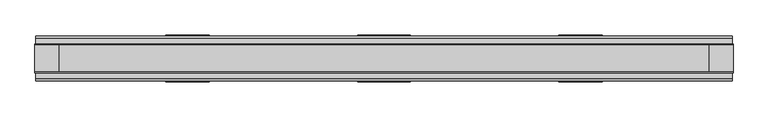
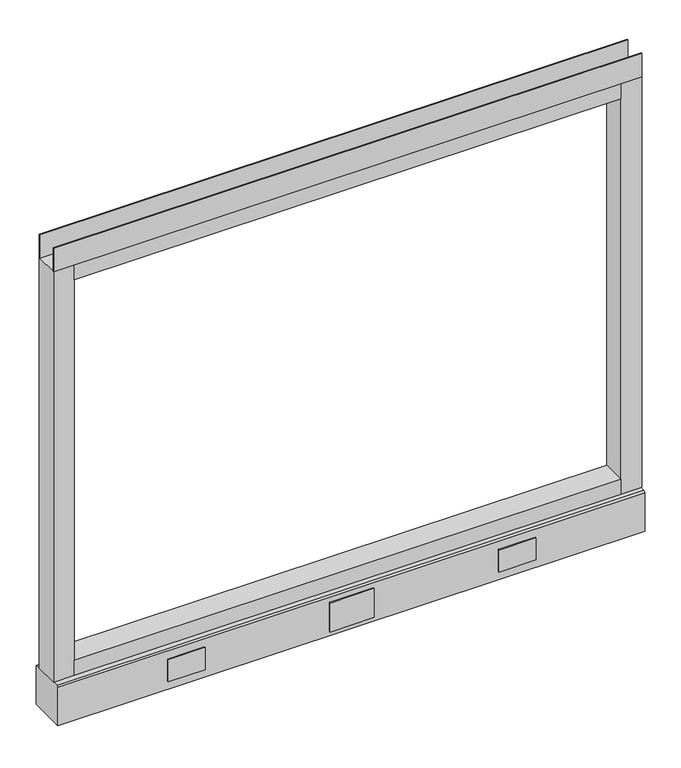
"""IFC4 building model written with IfcOpenShell, lengths in millimetres: furniture geometry."""

from ifc_helpers import new_model, si_unit, point, frame, frame_2d, origin, place, context, project, spatial, polyline, circle_curve, trimmed, segment, composite_curve, outline, extrude, source, transform, mapped, element, save
from ifc_brep_helpers import plane_surface, revolved_surface, advanced_brep


def furniture_dc780204(model_context):
    return source(origin(), model_context, "Body", "SolidModel", [
        advanced_brep(
        [(539.75, 0.0, 6.35), (565.15, 0.0, 6.35), (533.4, 0.0, 0.0), (571.5, 0.0, 0.0)],
        [
            (0, 1, circle_curve(frame((552.45, 0.0, 6.35), z_axis=(0.0, 0.0, 1.0), x_axis=(-1.0, 0.0, 0.0)), 12.7)),
            (1, 0, circle_curve(frame((552.45, 0.0, 6.35), z_axis=(0.0, 0.0, 1.0), x_axis=(1.0, 0.0, 0.0)), 12.7)),
            (2, 3, circle_curve(frame((552.45, 0.0, 0.0), z_axis=(0.0, 0.0, -1.0), x_axis=(1.0, 0.0, 0.0)), 19.05)),
            (3, 2, circle_curve(frame((552.45, 0.0, 0.0), z_axis=(0.0, 0.0, -1.0), x_axis=(-1.0, 0.0, 0.0)), 19.05)),
            (3, 1),
            (0, 2),
        ],
        [
            plane_surface(frame((552.45, 0.0, 6.35), z_axis=(0.0, 0.0, 1.0), x_axis=(0.0, -1.0, 0.0))),
            plane_surface(frame((552.45, 0.0, 0.0), z_axis=(0.0, 0.0, -1.0), x_axis=(0.0, -1.0, 0.0))),
            revolved_surface(polyline([(539.75, 0.0, 6.35), (533.4, 0.0, 0.0)]), (552.45, 0.0, 19.05), (0.0, 0.0, -1.0)),
            revolved_surface(polyline([(565.15, 0.0, 6.35), (571.5, 0.0, 0.0)]), (552.45, 0.0, 19.05), (0.0, 0.0, -1.0)),
        ],
        [
            (0, [[1, 2]]),
            (1, [[3, 4]]),
            (2, [[-4, 5, -1, 6]]),
            (3, [[-3, -6, -2, -5]]),
        ],
    ),
        advanced_brep(
        [(-565.15, 0.0, 6.35), (-539.75, 0.0, 6.35), (-571.5, 0.0, 0.0), (-533.4, 0.0, 0.0)],
        [
            (0, 1, circle_curve(frame((-552.45, 0.0, 6.35), z_axis=(0.0, 0.0, 1.0), x_axis=(-1.0, 0.0, 0.0)), 12.7)),
            (1, 0, circle_curve(frame((-552.45, 0.0, 6.35), z_axis=(0.0, 0.0, 1.0), x_axis=(1.0, 0.0, 0.0)), 12.7)),
            (2, 3, circle_curve(frame((-552.45, 0.0, 0.0), z_axis=(0.0, 0.0, -1.0), x_axis=(1.0, 0.0, 0.0)), 19.05)),
            (3, 2, circle_curve(frame((-552.45, 0.0, 0.0), z_axis=(0.0, 0.0, -1.0), x_axis=(-1.0, 0.0, 0.0)), 19.05)),
            (3, 1),
            (0, 2),
        ],
        [
            plane_surface(frame((-552.45, 0.0, 6.35), z_axis=(0.0, 0.0, 1.0), x_axis=(0.0, -1.0, 0.0))),
            plane_surface(frame((-552.45, 0.0, 0.0), z_axis=(0.0, 0.0, -1.0), x_axis=(0.0, -1.0, 0.0))),
            revolved_surface(polyline([(-565.15, 0.0, 6.35), (-571.5, 0.0, 0.0)]), (-552.45, 0.0, 19.05), (0.0, 0.0, -1.0)),
            revolved_surface(polyline([(-539.75, 0.0, 6.35), (-533.4, 0.0, 0.0)]), (-552.45, 0.0, 19.05), (0.0, 0.0, -1.0)),
        ],
        [
            (0, [[1, 2]]),
            (1, [[3, 4]]),
            (2, [[-4, 5, -1, 6]]),
            (3, [[-3, -6, -2, -5]]),
        ],
    ),
        extrude(outline(polyline([(381.0, 39.0921875), (304.8, 39.0921875), (304.8, 41.4020035), (381.0, 41.4020035), (381.0, 39.0921875)])), frame((0.0, 0.0, 32.512), z_axis=(0.0, 0.0, 1.0), x_axis=(1.0, 0.0, 0.0)), (0.0, 0.0, 1.0), 48.26),
        extrude(outline(polyline([(45.7708, 39.0921875), (-45.7708, 39.0921875), (-45.7708, 41.4020035), (45.7708, 41.4020035), (45.7708, 39.0921875)])), frame((0.0, 0.0, 23.8125), z_axis=(0.0, 0.0, 1.0), x_axis=(1.0, 0.0, 0.0)), (0.0, 0.0, 1.0), 63.5),
        extrude(outline(polyline([(-304.8, 39.0921875), (-381.0, 39.0921875), (-381.0, 41.4020035), (-304.8, 41.4020035), (-304.8, 39.0921875)])), frame((0.0, 0.0, 32.512), z_axis=(0.0, 0.0, 1.0), x_axis=(1.0, 0.0, 0.0)), (0.0, 0.0, 1.0), 48.26),
        extrude(outline(polyline([(381.0, -41.4019923), (304.8, -41.4019923), (304.8, -39.0921875), (381.0, -39.0921875), (381.0, -41.4019923)])), frame((0.0, 0.0, 32.512), z_axis=(0.0, 0.0, 1.0), x_axis=(1.0, 0.0, 0.0)), (0.0, 0.0, 1.0), 48.26),
        extrude(outline(polyline([(-304.8, -41.4019923), (-381.0, -41.4019923), (-381.0, -39.0921875), (-304.8, -39.0921875), (-304.8, -41.4019923)])), frame((0.0, 0.0, 32.512), z_axis=(0.0, 0.0, 1.0), x_axis=(1.0, 0.0, 0.0)), (0.0, 0.0, 1.0), 48.26),
        extrude(outline(polyline([(45.7708, -41.4019923), (-45.7708, -41.4019923), (-45.7708, -39.0921875), (45.7708, -39.0921875), (45.7708, -41.4019923)])), frame((0.0, 0.0, 23.8125), z_axis=(0.0, 0.0, 1.0), x_axis=(1.0, 0.0, 0.0)), (0.0, 0.0, 1.0), 63.5),
        extrude(outline(polyline([(609.6, -23.8125), (609.6, -25.4), (-609.6, -25.4), (-609.6, -23.8125), (609.6, -23.8125)])), frame((0.0, 0.0, 1000.633), z_axis=(0.0, 0.0, 1.0), x_axis=(1.0, 0.0, 0.0)), (0.0, 0.0, 1.0), 51.435),
        extrude(outline(polyline([(609.6, 25.4), (609.6, 23.8125), (-609.6, 23.8125), (-609.6, 25.4), (609.6, 25.4)])), frame((0.0, 0.0, 1000.633), z_axis=(0.0, 0.0, 1.0), x_axis=(1.0, 0.0, 0.0)), (0.0, 0.0, 1.0), 51.435),
        extrude(outline(polyline([(566.7375, -25.4), (-566.7375, -25.4), (-566.7375, 25.4), (566.7375, 25.4), (566.7375, -25.4)])), frame((0.0, 0.0, 967.74), z_axis=(0.0, 0.0, 1.0), x_axis=(1.0, 0.0, 0.0)), (0.0, 0.0, 1.0), 32.893),
        extrude(outline(polyline([(566.7375, -25.4), (-566.7375, -25.4), (-566.7375, 25.4), (566.7375, 25.4), (566.7375, -25.4)])), frame((0.0, 0.0, 101.6), z_axis=(0.0, 0.0, 1.0), x_axis=(1.0, 0.0, 0.0)), (0.0, 0.0, 1.0), 32.893),
        extrude(outline(composite_curve([segment(trimmed(circle_curve(frame_2d((-552.45, 0.0)), 5.55625), [point((-558.00625, 0.0))], [point((-546.89375, 0.0))], False, "CARTESIAN"), True, "CONTINUOUS"), segment(trimmed(circle_curve(frame_2d((-552.45, 0.0)), 5.55625), [point((-546.89375, 0.0))], [point((-558.00625, 0.0))], False, "CARTESIAN"), True, "CONTINUOUS")], self_intersect=False)), frame((0.0, 0.0, 6.35), z_axis=(0.0, 0.0, 1.0), x_axis=(1.0, 0.0, 0.0)), (0.0, 0.0, 1.0), 7.9375),
        extrude(outline(composite_curve([segment(trimmed(circle_curve(frame_2d((552.45, 0.0)), 5.55625), [point((546.89375, 0.0))], [point((558.00625, 0.0))], False, "CARTESIAN"), True, "CONTINUOUS"), segment(trimmed(circle_curve(frame_2d((552.45, 0.0)), 5.55625), [point((558.00625, 0.0))], [point((546.89375, 0.0))], False, "CARTESIAN"), True, "CONTINUOUS")], self_intersect=False)), frame((0.0, 0.0, 6.35), z_axis=(0.0, 0.0, 1.0), x_axis=(1.0, 0.0, 0.0)), (0.0, 0.0, 1.0), 7.9375),
        extrude(outline(polyline([(-566.7375, -25.4), (-609.6, -25.4), (-609.6, 25.4), (-566.7375, 25.4), (-566.7375, -25.4)])), frame((0.0, 0.0, 101.6), z_axis=(0.0, 0.0, 1.0), x_axis=(1.0, 0.0, 0.0)), (0.0, 0.0, 1.0), 899.033),
        extrude(outline(polyline([(609.6, -25.4), (566.7375, -25.4), (566.7375, 25.4), (609.6, 25.4), (609.6, -25.4)])), frame((0.0, 0.0, 101.6), z_axis=(0.0, 0.0, 1.0), x_axis=(1.0, 0.0, 0.0)), (0.0, 0.0, 1.0), 899.033),
        extrude(outline(polyline([(-35.9171875, 101.6), (35.9171875, 101.6), (39.0921875, 98.425), (39.0921875, 14.2875), (-39.0921875, 14.2875), (-39.0921875, 98.425), (-35.9171875, 101.6)])), frame((-608.457, 0.0, 0.0), z_axis=(1.0, 0.0, 0.0), x_axis=(0.0, 1.0, 0.0)), (0.0, 0.0, 1.0), 1216.9140102),
    ])


if __name__ == "__main__":
    model = new_model("IFC4")
    model_context = context("Model", 3, world=origin())
    ifc_project = project(units=[si_unit("LENGTHUNIT", "METRE", prefix="MILLI")], contexts=[model_context])
    site = spatial("IfcSite", under=ifc_project)
    building = spatial("IfcBuilding", under=site)
    placement = place(None, origin())
    furniture_shape = furniture_dc780204(model_context)
    element("IfcFurniture", 1, at=placement, inside=building, context=model_context, shape_type="MappedRepresentation", body=[
        mapped(furniture_shape, transform((0.0, 0.0, 0.0), x_axis=(1.0, 0.0, 0.0), y_axis=(0.0, 1.0, 0.0), z_axis=(0.0, 0.0, 1.0))),
    ])
    save(model, "model.ifc")
